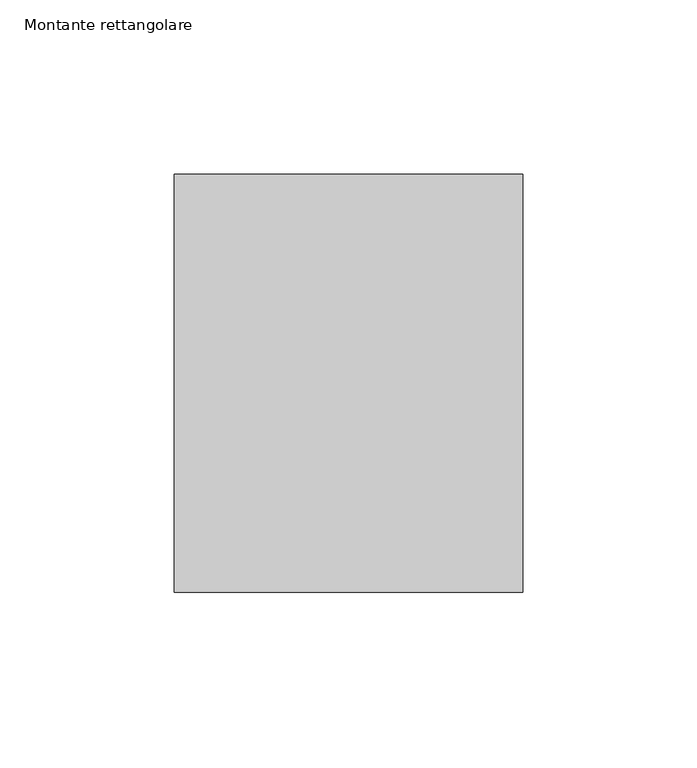
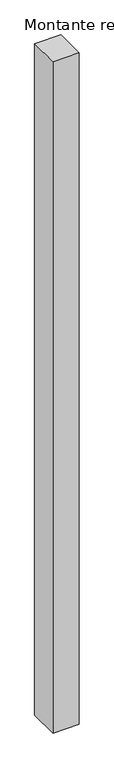
"""IFC4 building model written with IfcOpenShell, lengths in millimetres: member geometry, Montante rettangolare."""

from ifc_helpers import new_model, si_unit, frame, origin, place, context, project, spatial, polyline, outline, extrude, source, transform, mapped, element, save


def montante_rettangolare_30b545c7(model_context):
    return source(origin(), model_context, "Body", "SweptSolid", [
        extrude(outline(polyline([(50.0, 60.0), (50.0, -60.0), (-50.0, -60.0), (-50.0, 60.0), (50.0, 60.0)])), frame((0.0, 0.0, -2713.6672426), z_axis=(0.0, 0.0, 1.0), x_axis=(1.0, 0.0, 0.0)), (0.0, 0.0, 1.0), 2713.6672426),
    ])


if __name__ == "__main__":
    model = new_model("IFC4")
    model_context = context("Model", 3, world=origin())
    ifc_project = project(units=[si_unit("LENGTHUNIT", "METRE", prefix="MILLI")], contexts=[model_context])
    site = spatial("IfcSite", under=ifc_project)
    building = spatial("IfcBuilding", under=site)
    placement = place(None, origin())
    montante_rettangolare_shape = montante_rettangolare_30b545c7(model_context)
    element("IfcMember", 1, ObjectType="Montante rettangolare", at=placement, inside=building, context=model_context, shape_type="MappedRepresentation", body=[
        mapped(montante_rettangolare_shape, transform((0.0, 0.0, 0.0), x_axis=(1.0, 0.0, 0.0), y_axis=(0.0, 1.0, 0.0), z_axis=(0.0, 0.0, 1.0))),
    ])
    save(model, "model.ifc")
